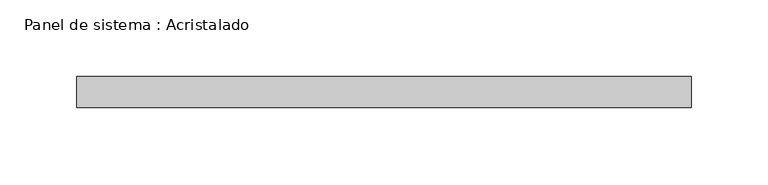
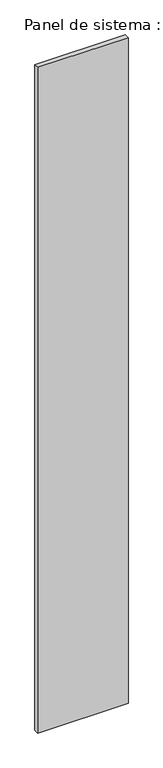
"""IFC4 building model written with IfcOpenShell, lengths in millimetres: plate geometry, Panel de sistema : Acristalado."""

import ifcopenshell
import ifcopenshell.guid

model = None  # the IFC model being written
_history = None  # IfcOwnerHistory: only IFC2X3 demands one
_inside = {}  # id of a spatial element -> (the spatial element, [elements in it])
_under = {}  # id of a project, library or spatial element -> (it, [spatial elements below it])
_declared = {}  # id of a project -> (the project, [libraries it declares])
_typed = {}  # id of a type object -> (the type object, [elements of that type])
_made_of = {}  # id of a material, layer set ... -> (it, [elements and type objects made of it])


def new_model(schema):
    """Start an empty IFC model of exactly this schema.

    Asked for "IFC4X3", IfcOpenShell would pick the latest addendum, in which some entities
    have other attributes; the version numbers below select the first issue.
    IFC2X3 requires an IfcOwnerHistory on every rooted entity: one is made here for all.
    """
    global model, _history
    if schema == "IFC4X3":
        model = ifcopenshell.file(schema_version=(4, 3, 0, 0))
    else:
        model = ifcopenshell.file(schema=schema)
    _inside.clear()
    _under.clear()
    _declared.clear()
    _typed.clear()
    _made_of.clear()
    _history = None
    if model.schema == "IFC2X3":
        org = make("IfcOrganization", Name="unknown")
        user = make(
            "IfcPersonAndOrganization",
            ThePerson=make("IfcPerson", FamilyName="unknown"),
            TheOrganization=org,
        )
        app = make(
            "IfcApplication",
            ApplicationDeveloper=org,
            Version="unknown",
            ApplicationFullName="unknown",
            ApplicationIdentifier="unknown",
        )
        _history = make(
            "IfcOwnerHistory",
            OwningUser=user,
            OwningApplication=app,
            ChangeAction="ADDED",
            CreationDate=0,
        )
    return model


def make(cls, **values):
    """One entity of the class cls with the attributes given. An attribute that is None is left unset."""
    return model.create_entity(
        cls, **{name: value for name, value in values.items() if value is not None}
    )


def rooted(cls, **values):
    """An entity with a GlobalId (a new one), such as an element, a storey or a relation."""
    return make(cls, GlobalId=ifcopenshell.guid.new(), OwnerHistory=_history, **values)


def si_unit(unit_type, name, prefix=None):
    """IfcSIUnit, for example si_unit("LENGTHUNIT", "METRE", prefix="MILLI")."""
    return make("IfcSIUnit", UnitType=unit_type, Prefix=prefix, Name=name)


def assignment(units):
    """IfcUnitAssignment: the units of a project."""
    return None if units is None else make("IfcUnitAssignment", Units=units)


def point(xyz):
    """IfcCartesianPoint."""
    return None if xyz is None else make("IfcCartesianPoint", Coordinates=xyz)


def direction(xyz):
    """IfcDirection."""
    return None if xyz is None else make("IfcDirection", DirectionRatios=xyz)


def frame(location, z_axis=None, x_axis=None):
    """IfcAxis2Placement3D, a coordinate frame: its origin and axes. An axis left out is left unset."""
    return make(
        "IfcAxis2Placement3D",
        Location=point(location),
        Axis=direction(z_axis),
        RefDirection=direction(x_axis),
    )


def origin():
    """The frame at (0, 0, 0) with its axes left unset."""
    return frame((0.0, 0.0, 0.0))


def origin_with_axes():
    """The frame at (0, 0, 0) with the z axis (0, 0, 1) and the x axis (1, 0, 0) written out."""
    return frame((0.0, 0.0, 0.0), z_axis=(0.0, 0.0, 1.0), x_axis=(1.0, 0.0, 0.0))


def place(relative_to, where):
    """IfcLocalPlacement: puts the frame where relative to a parent placement (None: the world)."""
    return make(
        "IfcLocalPlacement", PlacementRelTo=relative_to, RelativePlacement=where
    )


def context(
    kind, dimensions, precision=None, world=None, true_north=None, identifier=None
):
    """IfcGeometricRepresentationContext, for example the 3D "Model" context."""
    return make(
        "IfcGeometricRepresentationContext",
        ContextIdentifier=identifier,
        ContextType=kind,
        CoordinateSpaceDimension=dimensions,
        Precision=precision,
        WorldCoordinateSystem=world,
        TrueNorth=true_north,
    )


def project(units=None, contexts=None):
    """IfcProject with its units and contexts."""
    return rooted(
        "IfcProject",
        Name="project",
        RepresentationContexts=contexts,
        UnitsInContext=assignment(units),
    )


def spatial(cls, under=None, at=None, **own):
    """A site, building, storey or space (cls), placed at a placement, below another one or the project."""
    s = rooted(cls, ObjectPlacement=at, **own)
    if under is not None:
        _under.setdefault(under.id(), (under, []))[1].append(s)
    return s


def polyline(points):
    """IfcPolyline through the points."""
    return make("IfcPolyline", Points=[point(p) for p in points])


def outline(outer, holes=None, kind="AREA"):
    """IfcArbitraryClosedProfileDef: a profile drawn as a closed curve; with holes, ...WithVoids."""
    if holes is None:
        return make("IfcArbitraryClosedProfileDef", ProfileType=kind, OuterCurve=outer)
    return make(
        "IfcArbitraryProfileDefWithVoids",
        ProfileType=kind,
        OuterCurve=outer,
        InnerCurves=holes,
    )


def extrude(swept, where, along, depth):
    """IfcExtrudedAreaSolid: the profile swept, set in the frame where, extruded along a direction by depth."""
    return make(
        "IfcExtrudedAreaSolid",
        SweptArea=swept,
        Position=where,
        ExtrudedDirection=direction(along),
        Depth=depth,
    )


def shape(context_of_items, identifier, shape_type, items):
    """IfcShapeRepresentation: the items that make up one representation, for example the "Body"."""
    return make(
        "IfcShapeRepresentation",
        ContextOfItems=context_of_items,
        RepresentationIdentifier=identifier,
        RepresentationType=shape_type,
        Items=items,
    )


def source(mapping_origin, context_of_items, identifier, shape_type, items):
    """IfcRepresentationMap: a shape defined once, which mapped items show again and again."""
    return make(
        "IfcRepresentationMap",
        MappingOrigin=mapping_origin,
        MappedRepresentation=shape(context_of_items, identifier, shape_type, items),
    )


def transform(
    local_origin,
    x_axis=None,
    y_axis=None,
    z_axis=None,
    scale=None,
    scale2=None,
    scale3=None,
    uniform=True,
):
    """IfcCartesianTransformationOperator3D, or its non-uniform kind. x_axis, y_axis, z_axis: its Axis1, 2, 3."""
    if uniform:
        return make(
            "IfcCartesianTransformationOperator3D",
            Axis1=direction(x_axis),
            Axis2=direction(y_axis),
            LocalOrigin=point(local_origin),
            Scale=scale,
            Axis3=direction(z_axis),
        )
    return make(
        "IfcCartesianTransformationOperator3DnonUniform",
        Axis1=direction(x_axis),
        Axis2=direction(y_axis),
        LocalOrigin=point(local_origin),
        Scale=scale,
        Axis3=direction(z_axis),
        Scale2=scale2,
        Scale3=scale3,
    )


def mapped(mapping_source, mapping_target):
    """IfcMappedItem: shows the shape of a source again, moved by a transform."""
    return make(
        "IfcMappedItem", MappingSource=mapping_source, MappingTarget=mapping_target
    )


def made_of(thing, what):
    """Note that an element or type object is made of a material, layer set ...; save() writes the relation."""
    if what is not None:
        _made_of.setdefault(what.id(), (what, []))[1].append(thing)
    return thing


def element(
    cls,
    number,
    at=None,
    inside=None,
    cuts=None,
    type_object=None,
    material=None,
    context=None,
    identifier="Body",
    shape_type=None,
    held_by="IfcProductDefinitionShape",
    body=None,
    shapes=None,
    **own,
):
    """One element of the class cls, such as IfcWall. Its Tag is "e" and its number.

    at: its placement. inside: the storey or other place that contains it. cuts: it is an
    opening in that element (IfcRelVoidsElement). A single representation is given by context,
    identifier, shape_type and body (its items); several are given by shapes. held_by: the class
    of the entity that holds the representations. save() writes the other relations.
    """
    e = rooted(cls, Tag="e%d" % number, ObjectPlacement=at, **own)
    if body is not None:
        shapes = [shape(context, identifier, shape_type, body)]
    if shapes is not None:
        e.Representation = make(held_by, Representations=shapes)
    if inside is not None:
        _inside.setdefault(inside.id(), (inside, []))[1].append(e)
    if cuts is not None:
        rooted(
            "IfcRelVoidsElement", RelatingBuildingElement=cuts, RelatedOpeningElement=e
        )
    if type_object is not None:
        _typed.setdefault(type_object.id(), (type_object, []))[1].append(e)
    return made_of(e, material)


def aggregate(whole, parts):
    """IfcRelAggregates: a whole, such as a stair, and the parts it consists of."""
    return rooted("IfcRelAggregates", RelatingObject=whole, RelatedObjects=parts)


def save(model, path):
    """Write the relations noted so far, then the file.

    IfcRelAggregates (storeys below a building ...), IfcRelContainedInSpatialStructure (elements
    in a storey), IfcRelDefinesByType, IfcRelAssociatesMaterial and IfcRelDeclares: one each for
    every whole, place, type object, material and project.
    """
    for whole, parts in _under.values():
        aggregate(whole, parts)
    for where, things in _inside.values():
        rooted(
            "IfcRelContainedInSpatialStructure",
            RelatedElements=things,
            RelatingStructure=where,
        )
    for kind, things in _typed.values():
        rooted("IfcRelDefinesByType", RelatedObjects=things, RelatingType=kind)
    for what, things in _made_of.values():
        rooted("IfcRelAssociatesMaterial", RelatedObjects=things, RelatingMaterial=what)
    for by, libraries in _declared.values():
        rooted("IfcRelDeclares", RelatingContext=by, RelatedDefinitions=libraries)
    model.write(path)


def panel_de_sistema_acristalado_87ac8f49(model_context):
    return source(origin(), model_context, "Body", "SweptSolid", [
        extrude(outline(polyline([(200.0, -10.0), (-200.0, -10.0), (-200.0, 10.0), (200.0, 10.0), (200.0, -10.0)])), origin_with_axes(), (0.0, 0.0, 1.0), 3109.4605453),
    ])


if __name__ == "__main__":
    model = new_model("IFC4")
    model_context = context("Model", 3, world=origin())
    ifc_project = project(units=[si_unit("LENGTHUNIT", "METRE", prefix="MILLI")], contexts=[model_context])
    site = spatial("IfcSite", under=ifc_project)
    building = spatial("IfcBuilding", under=site)
    placement = place(None, origin())
    panel_de_sistema_acristalado_shape = panel_de_sistema_acristalado_87ac8f49(model_context)
    element("IfcPlate", 1, ObjectType="Panel de sistema : Acristalado", at=placement, inside=building, context=model_context, shape_type="MappedRepresentation", body=[
        mapped(panel_de_sistema_acristalado_shape, transform((0.0, 0.0, 0.0), x_axis=(1.0, 0.0, 0.0), y_axis=(0.0, 1.0, 0.0), z_axis=(0.0, 0.0, 1.0))),
    ])
    save(model, "model.ifc")
